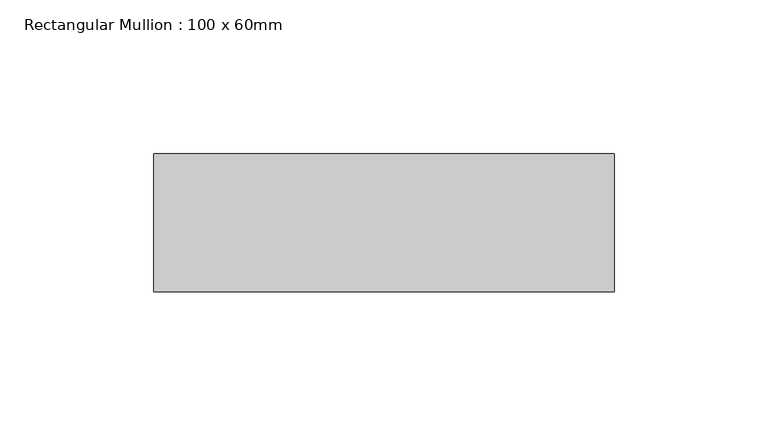
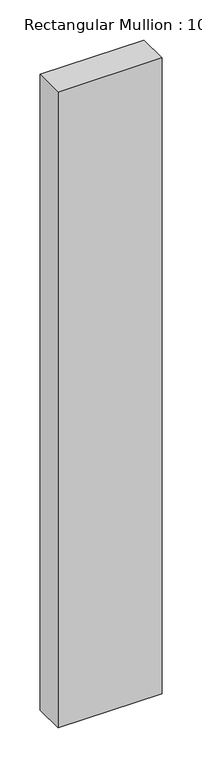
"""IFC4 building model written with IfcOpenShell, lengths in millimetres: member geometry, Rectangular Mullion : 100 x 60mm."""

from ifc_helpers import new_model, si_unit, frame, origin, place, context, project, spatial, polyline, outline, extrude, source, transform, mapped, element, save


def rectangular_mullion_100_x_60mm_e3901cfb(model_context):
    return source(origin(), model_context, "Body", "SweptSolid", [
        extrude(outline(polyline([(-150.0, -30.0), (-150.0, 15.0), (0.0, 15.0), (0.0, -30.0), (-150.0, -30.0)])), frame((0.0, 0.0, -969.325666), z_axis=(0.0, 0.0, 1.0), x_axis=(1.0, 0.0, 0.0)), (0.0, 0.0, 1.0), 969.325666),
    ])


if __name__ == "__main__":
    model = new_model("IFC4")
    model_context = context("Model", 3, world=origin())
    ifc_project = project(units=[si_unit("LENGTHUNIT", "METRE", prefix="MILLI")], contexts=[model_context])
    site = spatial("IfcSite", under=ifc_project)
    building = spatial("IfcBuilding", under=site)
    placement = place(None, origin())
    rectangular_mullion_100_x_60mm_shape = rectangular_mullion_100_x_60mm_e3901cfb(model_context)
    element("IfcMember", 1, ObjectType="Rectangular Mullion : 100 x 60mm", at=placement, inside=building, context=model_context, shape_type="MappedRepresentation", body=[
        mapped(rectangular_mullion_100_x_60mm_shape, transform((0.0, 0.0, 0.0), x_axis=(1.0, 0.0, 0.0), y_axis=(0.0, 1.0, 0.0), z_axis=(0.0, 0.0, 1.0))),
    ])
    save(model, "model.ifc")
